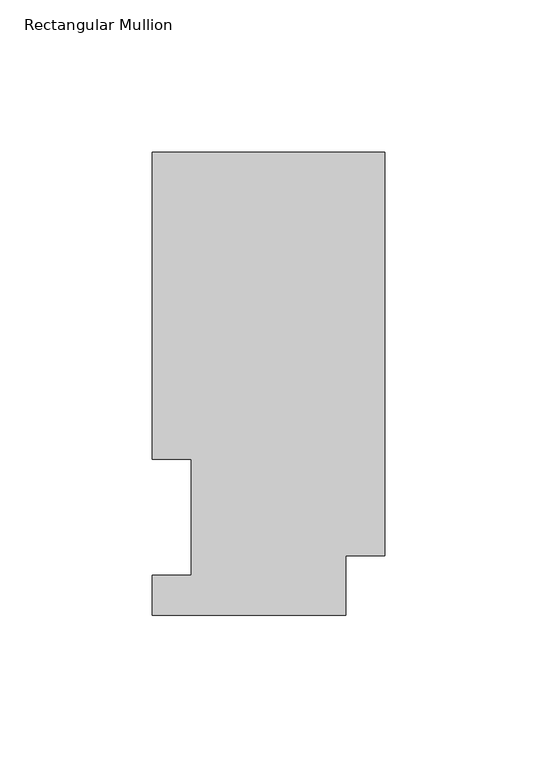
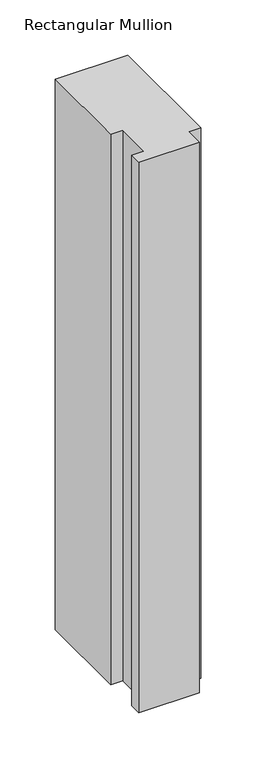
"""IFC4 building model written with IfcOpenShell, lengths in millimetres: member geometry, Rectangular Mullion."""

from ifc_helpers import new_model, si_unit, frame, origin, place, context, project, spatial, polyline, outline, extrude, source, transform, mapped, element, save


def rectangular_mullion_dc5dff7c(model_context):
    return source(origin(), model_context, "Body", "SweptSolid", [
        extrude(outline(polyline([(-76.2000004, 151.9054938), (0.0, 151.9054938), (0.0, 19.5460937), (-12.7000004, 19.5460937), (-12.7000004, 0.0134937), (-76.1943324, 0.0134937), (-76.1943324, 13.1960937), (-63.4943324, 13.1960937), (-63.4943324, 51.2960937), (-76.2000004, 51.2960938), (-76.2000004, 151.9054938)])), frame((0.0, 0.0, -609.6), z_axis=(0.0, 0.0, 1.0), x_axis=(1.0, 0.0, 0.0)), (0.0, 0.0, 1.0), 609.6),
    ])


if __name__ == "__main__":
    model = new_model("IFC4")
    model_context = context("Model", 3, world=origin())
    ifc_project = project(units=[si_unit("LENGTHUNIT", "METRE", prefix="MILLI")], contexts=[model_context])
    site = spatial("IfcSite", under=ifc_project)
    building = spatial("IfcBuilding", under=site)
    placement = place(None, origin())
    rectangular_mullion_shape = rectangular_mullion_dc5dff7c(model_context)
    element("IfcMember", 1, ObjectType="Rectangular Mullion", at=placement, inside=building, context=model_context, shape_type="MappedRepresentation", body=[
        mapped(rectangular_mullion_shape, transform((0.0, 0.0, 0.0), x_axis=(1.0, 0.0, 0.0), y_axis=(0.0, 1.0, 0.0), z_axis=(0.0, 0.0, 1.0))),
    ])
    save(model, "model.ifc")
